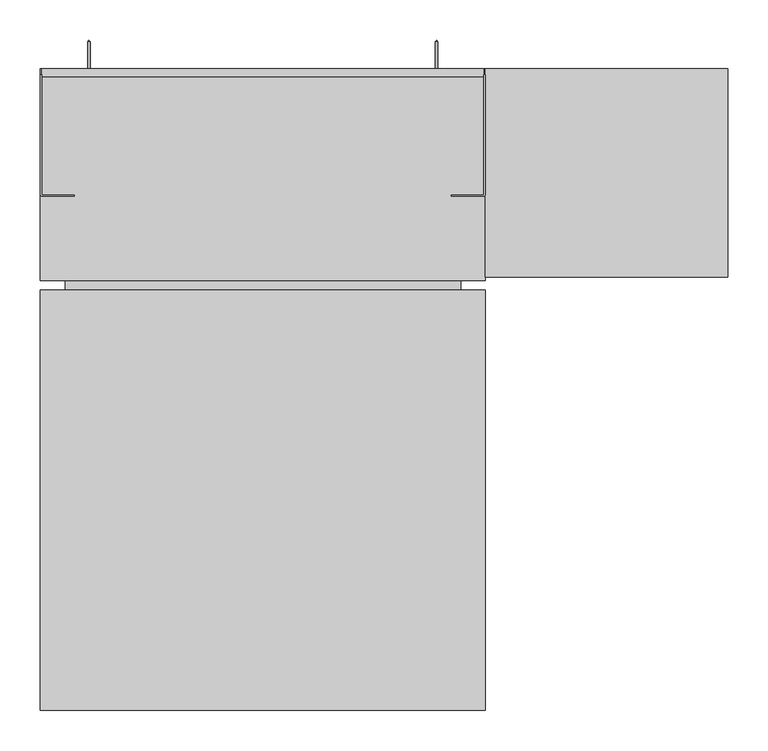
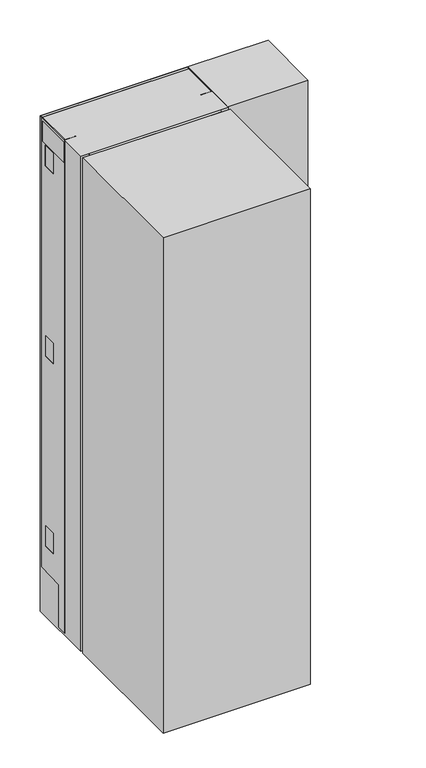
"""IFC4 building model written with IfcOpenShell, lengths in millimetres: proxy geometry."""

import ifcopenshell
import ifcopenshell.guid

model = None  # the IFC model being written
_history = None  # IfcOwnerHistory: only IFC2X3 demands one
_inside = {}  # id of a spatial element -> (the spatial element, [elements in it])
_under = {}  # id of a project, library or spatial element -> (it, [spatial elements below it])
_declared = {}  # id of a project -> (the project, [libraries it declares])
_typed = {}  # id of a type object -> (the type object, [elements of that type])
_made_of = {}  # id of a material, layer set ... -> (it, [elements and type objects made of it])


def new_model(schema):
    """Start an empty IFC model of exactly this schema.

    Asked for "IFC4X3", IfcOpenShell would pick the latest addendum, in which some entities
    have other attributes; the version numbers below select the first issue.
    IFC2X3 requires an IfcOwnerHistory on every rooted entity: one is made here for all.
    """
    global model, _history
    if schema == "IFC4X3":
        model = ifcopenshell.file(schema_version=(4, 3, 0, 0))
    else:
        model = ifcopenshell.file(schema=schema)
    _inside.clear()
    _under.clear()
    _declared.clear()
    _typed.clear()
    _made_of.clear()
    _history = None
    if model.schema == "IFC2X3":
        org = make("IfcOrganization", Name="unknown")
        user = make(
            "IfcPersonAndOrganization",
            ThePerson=make("IfcPerson", FamilyName="unknown"),
            TheOrganization=org,
        )
        app = make(
            "IfcApplication",
            ApplicationDeveloper=org,
            Version="unknown",
            ApplicationFullName="unknown",
            ApplicationIdentifier="unknown",
        )
        _history = make(
            "IfcOwnerHistory",
            OwningUser=user,
            OwningApplication=app,
            ChangeAction="ADDED",
            CreationDate=0,
        )
    return model


def make(cls, **values):
    """One entity of the class cls with the attributes given. An attribute that is None is left unset."""
    return model.create_entity(
        cls, **{name: value for name, value in values.items() if value is not None}
    )


def rooted(cls, **values):
    """An entity with a GlobalId (a new one), such as an element, a storey or a relation."""
    return make(cls, GlobalId=ifcopenshell.guid.new(), OwnerHistory=_history, **values)


def si_unit(unit_type, name, prefix=None):
    """IfcSIUnit, for example si_unit("LENGTHUNIT", "METRE", prefix="MILLI")."""
    return make("IfcSIUnit", UnitType=unit_type, Prefix=prefix, Name=name)


def assignment(units):
    """IfcUnitAssignment: the units of a project."""
    return None if units is None else make("IfcUnitAssignment", Units=units)


def point(xyz):
    """IfcCartesianPoint."""
    return None if xyz is None else make("IfcCartesianPoint", Coordinates=xyz)


def direction(xyz):
    """IfcDirection."""
    return None if xyz is None else make("IfcDirection", DirectionRatios=xyz)


def frame(location, z_axis=None, x_axis=None):
    """IfcAxis2Placement3D, a coordinate frame: its origin and axes. An axis left out is left unset."""
    return make(
        "IfcAxis2Placement3D",
        Location=point(location),
        Axis=direction(z_axis),
        RefDirection=direction(x_axis),
    )


def frame_2d(location, x_axis=None):
    """IfcAxis2Placement2D, a coordinate frame in the plane: its origin and x axis."""
    return make(
        "IfcAxis2Placement2D", Location=point(location), RefDirection=direction(x_axis)
    )


def origin():
    """The frame at (0, 0, 0) with its axes left unset."""
    return frame((0.0, 0.0, 0.0))


def origin_with_axes():
    """The frame at (0, 0, 0) with the z axis (0, 0, 1) and the x axis (1, 0, 0) written out."""
    return frame((0.0, 0.0, 0.0), z_axis=(0.0, 0.0, 1.0), x_axis=(1.0, 0.0, 0.0))


def place(relative_to, where):
    """IfcLocalPlacement: puts the frame where relative to a parent placement (None: the world)."""
    return make(
        "IfcLocalPlacement", PlacementRelTo=relative_to, RelativePlacement=where
    )


def context(
    kind, dimensions, precision=None, world=None, true_north=None, identifier=None
):
    """IfcGeometricRepresentationContext, for example the 3D "Model" context."""
    return make(
        "IfcGeometricRepresentationContext",
        ContextIdentifier=identifier,
        ContextType=kind,
        CoordinateSpaceDimension=dimensions,
        Precision=precision,
        WorldCoordinateSystem=world,
        TrueNorth=true_north,
    )


def project(units=None, contexts=None):
    """IfcProject with its units and contexts."""
    return rooted(
        "IfcProject",
        Name="project",
        RepresentationContexts=contexts,
        UnitsInContext=assignment(units),
    )


def spatial(cls, under=None, at=None, **own):
    """A site, building, storey or space (cls), placed at a placement, below another one or the project."""
    s = rooted(cls, ObjectPlacement=at, **own)
    if under is not None:
        _under.setdefault(under.id(), (under, []))[1].append(s)
    return s


def polyline(points):
    """IfcPolyline through the points."""
    return make("IfcPolyline", Points=[point(p) for p in points])


def circle_curve(where, radius):
    """IfcCircle in the frame where."""
    return make("IfcCircle", Position=where, Radius=radius)


def trimmed(basis, trim1, trim2, sense, master):
    """IfcTrimmedCurve: the piece of a basis curve between two trims."""
    return make(
        "IfcTrimmedCurve",
        BasisCurve=basis,
        Trim1=trim1,
        Trim2=trim2,
        SenseAgreement=sense,
        MasterRepresentation=master,
    )


def segment(curve, same_sense, transition):
    """IfcCompositeCurveSegment."""
    return make(
        "IfcCompositeCurveSegment",
        Transition=transition,
        SameSense=same_sense,
        ParentCurve=curve,
    )


def composite_curve(segments, self_intersect=None):
    """IfcCompositeCurve: segments joined end to end."""
    return make("IfcCompositeCurve", Segments=segments, SelfIntersect=self_intersect)


def outline(outer, holes=None, kind="AREA"):
    """IfcArbitraryClosedProfileDef: a profile drawn as a closed curve; with holes, ...WithVoids."""
    if holes is None:
        return make("IfcArbitraryClosedProfileDef", ProfileType=kind, OuterCurve=outer)
    return make(
        "IfcArbitraryProfileDefWithVoids",
        ProfileType=kind,
        OuterCurve=outer,
        InnerCurves=holes,
    )


def extrude(swept, where, along, depth):
    """IfcExtrudedAreaSolid: the profile swept, set in the frame where, extruded along a direction by depth."""
    return make(
        "IfcExtrudedAreaSolid",
        SweptArea=swept,
        Position=where,
        ExtrudedDirection=direction(along),
        Depth=depth,
    )


def faces_of(points, faces, orient=None, outer=None):
    """IfcFace entities. A face is a list of loops; a loop is a list of indices into points, from 0.

    orient and outer hold one flag for each loop. By default every Orientation is true, the
    first loop of a face is its IfcFaceOuterBound and the others are IfcFaceBound.
    """
    made = []
    for i, loops in enumerate(faces):
        bounds = []
        for j, loop in enumerate(loops):
            is_outer = j == 0 if outer is None else outer[i][j]
            bounds.append(
                make(
                    "IfcFaceOuterBound" if is_outer else "IfcFaceBound",
                    Bound=make("IfcPolyLoop", Polygon=[points[k] for k in loop]),
                    Orientation=True if orient is None else orient[i][j],
                )
            )
        made.append(make("IfcFace", Bounds=bounds))
    return made


def faceted_brep(points, faces, orient=None, outer=None, voids=None):
    """IfcFacetedBrep: a solid bounded by flat faces; with voids (closed shells), ...WithVoids."""
    shared = [point(p) for p in points]
    hull = make("IfcClosedShell", CfsFaces=faces_of(shared, faces, orient, outer))
    if voids is None:
        return make("IfcFacetedBrep", Outer=hull)
    return make(
        "IfcFacetedBrepWithVoids",
        Outer=hull,
        Voids=[
            make(cls, CfsFaces=faces_of(shared, fs, o, b)) for cls, fs, o, b in voids
        ],
    )


def shape(context_of_items, identifier, shape_type, items):
    """IfcShapeRepresentation: the items that make up one representation, for example the "Body"."""
    return make(
        "IfcShapeRepresentation",
        ContextOfItems=context_of_items,
        RepresentationIdentifier=identifier,
        RepresentationType=shape_type,
        Items=items,
    )


def source(mapping_origin, context_of_items, identifier, shape_type, items):
    """IfcRepresentationMap: a shape defined once, which mapped items show again and again."""
    return make(
        "IfcRepresentationMap",
        MappingOrigin=mapping_origin,
        MappedRepresentation=shape(context_of_items, identifier, shape_type, items),
    )


def transform(
    local_origin,
    x_axis=None,
    y_axis=None,
    z_axis=None,
    scale=None,
    scale2=None,
    scale3=None,
    uniform=True,
):
    """IfcCartesianTransformationOperator3D, or its non-uniform kind. x_axis, y_axis, z_axis: its Axis1, 2, 3."""
    if uniform:
        return make(
            "IfcCartesianTransformationOperator3D",
            Axis1=direction(x_axis),
            Axis2=direction(y_axis),
            LocalOrigin=point(local_origin),
            Scale=scale,
            Axis3=direction(z_axis),
        )
    return make(
        "IfcCartesianTransformationOperator3DnonUniform",
        Axis1=direction(x_axis),
        Axis2=direction(y_axis),
        LocalOrigin=point(local_origin),
        Scale=scale,
        Axis3=direction(z_axis),
        Scale2=scale2,
        Scale3=scale3,
    )


def mapped(mapping_source, mapping_target):
    """IfcMappedItem: shows the shape of a source again, moved by a transform."""
    return make(
        "IfcMappedItem", MappingSource=mapping_source, MappingTarget=mapping_target
    )


def made_of(thing, what):
    """Note that an element or type object is made of a material, layer set ...; save() writes the relation."""
    if what is not None:
        _made_of.setdefault(what.id(), (what, []))[1].append(thing)
    return thing


def element(
    cls,
    number,
    at=None,
    inside=None,
    cuts=None,
    type_object=None,
    material=None,
    context=None,
    identifier="Body",
    shape_type=None,
    held_by="IfcProductDefinitionShape",
    body=None,
    shapes=None,
    **own,
):
    """One element of the class cls, such as IfcWall. Its Tag is "e" and its number.

    at: its placement. inside: the storey or other place that contains it. cuts: it is an
    opening in that element (IfcRelVoidsElement). A single representation is given by context,
    identifier, shape_type and body (its items); several are given by shapes. held_by: the class
    of the entity that holds the representations. save() writes the other relations.
    """
    e = rooted(cls, Tag="e%d" % number, ObjectPlacement=at, **own)
    if body is not None:
        shapes = [shape(context, identifier, shape_type, body)]
    if shapes is not None:
        e.Representation = make(held_by, Representations=shapes)
    if inside is not None:
        _inside.setdefault(inside.id(), (inside, []))[1].append(e)
    if cuts is not None:
        rooted(
            "IfcRelVoidsElement", RelatingBuildingElement=cuts, RelatedOpeningElement=e
        )
    if type_object is not None:
        _typed.setdefault(type_object.id(), (type_object, []))[1].append(e)
    return made_of(e, material)


def aggregate(whole, parts):
    """IfcRelAggregates: a whole, such as a stair, and the parts it consists of."""
    return rooted("IfcRelAggregates", RelatingObject=whole, RelatedObjects=parts)


def save(model, path):
    """Write the relations noted so far, then the file.

    IfcRelAggregates (storeys below a building ...), IfcRelContainedInSpatialStructure (elements
    in a storey), IfcRelDefinesByType, IfcRelAssociatesMaterial and IfcRelDeclares: one each for
    every whole, place, type object, material and project.
    """
    for whole, parts in _under.values():
        aggregate(whole, parts)
    for where, things in _inside.values():
        rooted(
            "IfcRelContainedInSpatialStructure",
            RelatedElements=things,
            RelatingStructure=where,
        )
    for kind, things in _typed.values():
        rooted("IfcRelDefinesByType", RelatedObjects=things, RelatingType=kind)
    for what, things in _made_of.values():
        rooted("IfcRelAssociatesMaterial", RelatedObjects=things, RelatingMaterial=what)
    for by, libraries in _declared.values():
        rooted("IfcRelDeclares", RelatingContext=by, RelatedDefinitions=libraries)
    model.write(path)


def plane_surface(at):
    """IfcPlane: the flat surface through the origin of the frame at, square to its z axis."""
    return make("IfcPlane", Position=at)


def cylinder_surface(at, radius):
    """IfcCylindricalSurface: all points at the distance radius from the z axis of the frame at."""
    return make("IfcCylindricalSurface", Position=at, Radius=radius)


def revolved_surface(curve, axis_point, axis_direction):
    """IfcSurfaceOfRevolution: the curve turned about the line through axis_point along axis_direction."""
    return make(
        "IfcSurfaceOfRevolution",
        SweptCurve=make("IfcArbitraryOpenProfileDef", ProfileType="CURVE", Curve=curve),
        AxisPosition=make("IfcAxis1Placement", Location=point(axis_point), Axis=direction(axis_direction)),
    )


def advanced_brep(points, edges, surfaces, faces):
    """IfcAdvancedBrep: a solid bounded by faces that lie on surfaces and meet in shared edges.

    An edge is (start, end): straight between two places in points (the first is 0);
    or (start, end, curve); or (start, end, curve, False) where it runs against its curve.
    A face is (place in surfaces, loops), or (place, loops, False) where it looks against
    its surface's normal. A loop lists edges by number (the first is 1), with a minus sign
    where the edge is run from its end to its start. The first loop is the outer one.
    """
    corners = [point(p) for p in points]
    vertices = [make("IfcVertexPoint", VertexGeometry=c) for c in corners]
    made = []
    for start, end, *more in edges:
        made.append(
            make(
                "IfcEdgeCurve",
                EdgeStart=vertices[start],
                EdgeEnd=vertices[end],
                EdgeGeometry=more[0] if more else make("IfcPolyline", Points=[corners[start], corners[end]]),
                SameSense=more[1] if len(more) > 1 else True,
            )
        )
    hull = []
    for where, loops, *sense in faces:
        bounds = []
        for j, loop in enumerate(loops):
            ring = [make("IfcOrientedEdge", EdgeElement=made[abs(k) - 1], Orientation=k > 0) for k in loop]
            bounds.append(
                make(
                    "IfcFaceOuterBound" if j == 0 else "IfcFaceBound",
                    Bound=make("IfcEdgeLoop", EdgeList=ring),
                    Orientation=True,
                )
            )
        hull.append(make("IfcAdvancedFace", Bounds=bounds, FaceSurface=surfaces[where], SameSense=sense[0] if sense else True))
    return make("IfcAdvancedBrep", Outer=make("IfcClosedShell", CfsFaces=hull))


def specialty_equipment_da17f0dc(model_context):
    return source(origin(), model_context, "Body", "SolidModel", [
        advanced_brep(
        [(213.5, 567.6, 400.4999976), (216.5, 567.6, 400.4999976), (216.5, 527.6, 400.4999976), (213.5, 527.6, 400.4999976), (215.0, 569.1, 400.4999976), (210.0, 524.1, 400.4999976), (220.0, 524.1, 400.4999976), (215.0, 524.1, 400.4999976)],
        [
            (0, 1, circle_curve(frame((215.0, 567.6, 400.4999976), z_axis=(0.0, -1.0, 0.0), x_axis=(1.0, 0.0, 0.0)), 1.5)),
            (1, 2),
            (2, 3, circle_curve(frame((215.0, 527.6, 400.4999976), z_axis=(0.0, 1.0, 0.0), x_axis=(1.0, 0.0, 0.0)), 1.5)),
            (3, 0),
            (1, 0, circle_curve(frame((215.0, 567.6, 400.4999976), z_axis=(0.0, -1.0, 0.0), x_axis=(1.0, 0.0, 0.0)), 1.5)),
            (3, 2, circle_curve(frame((215.0, 527.6, 400.4999976), z_axis=(0.0, 1.0, 0.0), x_axis=(1.0, 0.0, 0.0)), 1.5)),
            (4, 1),
            (0, 4),
            (5, 6, circle_curve(frame((215.0, 524.1, 400.4999976), z_axis=(0.0, -1.0, 0.0), x_axis=(1.0, 0.0, 0.0)), 5.0)),
            (6, 7),
            (7, 5),
            (6, 5, circle_curve(frame((215.0, 524.1, 400.4999976), z_axis=(0.0, -1.0, 0.0), x_axis=(1.0, 0.0, 0.0)), 5.0)),
            (2, 6),
            (5, 3),
        ],
        [
            cylinder_surface(frame((215.0, 524.1, 400.4999976), z_axis=(0.0, 1.0, 0.0), x_axis=(1.0, 0.0, 0.0)), 1.5),
            revolved_surface(polyline([(216.5, 567.6, 400.4999976), (215.0, 569.1, 400.4999976)]), (215.0, 524.1, 400.4999976), (0.0, 1.0, 0.0)),
            plane_surface(frame((215.0, 524.1, 400.4999976), z_axis=(0.0, -1.0, 0.0), x_axis=(1.0, 0.0, 0.0))),
            revolved_surface(polyline([(220.0, 524.1, 400.4999976), (216.5, 527.6, 400.4999976)]), (215.0, 524.1, 400.4999976), (0.0, 1.0, 0.0)),
        ],
        [
            (0, [[1, 2, 3, 4]]),
            (0, [[5, -4, 6, -2]]),
            (1, [[7, -1, 8]]),
            (1, [[-8, -5, -7]]),
            (2, [[9, 10, 11]]),
            (2, [[12, -11, -10]]),
            (3, [[-3, 13, -9, 14]]),
            (3, [[-6, -14, -12, -13]]),
        ],
    ),
        advanced_brep(
        [(-216.5, 567.6, 400.4999976), (-213.5, 567.6, 400.4999976), (-213.5, 527.6, 400.4999976), (-216.5, 527.6, 400.4999976), (-215.0, 569.1, 400.4999976), (-220.0, 524.1, 400.4999976), (-210.0, 524.1, 400.4999976), (-215.0, 524.1, 400.4999976)],
        [
            (0, 1, circle_curve(frame((-215.0, 567.6, 400.4999976), z_axis=(0.0, -1.0, 0.0), x_axis=(1.0, 0.0, 0.0)), 1.5)),
            (1, 2),
            (2, 3, circle_curve(frame((-215.0, 527.6, 400.4999976), z_axis=(0.0, 1.0, 0.0), x_axis=(1.0, 0.0, 0.0)), 1.5)),
            (3, 0),
            (1, 0, circle_curve(frame((-215.0, 567.6, 400.4999976), z_axis=(0.0, -1.0, 0.0), x_axis=(1.0, 0.0, 0.0)), 1.5)),
            (3, 2, circle_curve(frame((-215.0, 527.6, 400.4999976), z_axis=(0.0, 1.0, 0.0), x_axis=(1.0, 0.0, 0.0)), 1.5)),
            (4, 1),
            (0, 4),
            (5, 6, circle_curve(frame((-215.0, 524.1, 400.4999976), z_axis=(0.0, -1.0, 0.0), x_axis=(1.0, 0.0, 0.0)), 5.0)),
            (6, 7),
            (7, 5),
            (6, 5, circle_curve(frame((-215.0, 524.1, 400.4999976), z_axis=(0.0, -1.0, 0.0), x_axis=(1.0, 0.0, 0.0)), 5.0)),
            (2, 6),
            (5, 3),
        ],
        [
            cylinder_surface(frame((-215.0, 524.1, 400.4999976), z_axis=(0.0, 1.0, 0.0), x_axis=(1.0, 0.0, 0.0)), 1.5),
            revolved_surface(polyline([(-213.5, 567.6, 400.4999976), (-215.0, 569.1, 400.4999976)]), (-215.0, 524.1, 400.4999976), (0.0, 1.0, 0.0)),
            plane_surface(frame((-215.0, 524.1, 400.4999976), z_axis=(0.0, -1.0, 0.0), x_axis=(1.0, 0.0, 0.0))),
            revolved_surface(polyline([(-210.0, 524.1, 400.4999976), (-213.5, 527.6, 400.4999976)]), (-215.0, 524.1, 400.4999976), (0.0, 1.0, 0.0)),
        ],
        [
            (0, [[1, 2, 3, 4]]),
            (0, [[5, -4, 6, -2]]),
            (1, [[7, -1, 8]]),
            (1, [[-8, -5, -7]]),
            (2, [[9, 10, 11]]),
            (2, [[12, -11, -10]]),
            (3, [[-3, 13, -9, 14]]),
            (3, [[-6, -14, -12, -13]]),
        ],
    ),
        advanced_brep(
        [(213.5, 567.6, 1800.4999976), (216.5, 567.6, 1800.4999976), (216.5, 527.6, 1800.4999976), (213.5, 527.6, 1800.4999976), (215.0, 569.1, 1800.4999976), (210.0, 524.1, 1800.4999976), (220.0, 524.1, 1800.4999976), (215.0, 524.1, 1800.4999976)],
        [
            (0, 1, circle_curve(frame((215.0, 567.6, 1800.4999976), z_axis=(0.0, -1.0, 0.0), x_axis=(1.0, 0.0, 0.0)), 1.5)),
            (1, 2),
            (2, 3, circle_curve(frame((215.0, 527.6, 1800.4999976), z_axis=(0.0, 1.0, 0.0), x_axis=(1.0, 0.0, 0.0)), 1.5)),
            (3, 0),
            (1, 0, circle_curve(frame((215.0, 567.6, 1800.4999976), z_axis=(0.0, -1.0, 0.0), x_axis=(1.0, 0.0, 0.0)), 1.5)),
            (3, 2, circle_curve(frame((215.0, 527.6, 1800.4999976), z_axis=(0.0, 1.0, 0.0), x_axis=(1.0, 0.0, 0.0)), 1.5)),
            (4, 1),
            (0, 4),
            (5, 6, circle_curve(frame((215.0, 524.1, 1800.4999976), z_axis=(0.0, -1.0, 0.0), x_axis=(1.0, 0.0, 0.0)), 5.0)),
            (6, 7),
            (7, 5),
            (6, 5, circle_curve(frame((215.0, 524.1, 1800.4999976), z_axis=(0.0, -1.0, 0.0), x_axis=(1.0, 0.0, 0.0)), 5.0)),
            (2, 6),
            (5, 3),
        ],
        [
            cylinder_surface(frame((215.0, 524.1, 1800.4999976), z_axis=(0.0, 1.0, 0.0), x_axis=(1.0, 0.0, 0.0)), 1.5),
            revolved_surface(polyline([(216.5, 567.6, 1800.4999976), (215.0, 569.1, 1800.4999976)]), (215.0, 524.1, 1800.4999976), (0.0, 1.0, 0.0)),
            plane_surface(frame((215.0, 524.1, 1800.4999976), z_axis=(0.0, -1.0, 0.0), x_axis=(1.0, 0.0, 0.0))),
            revolved_surface(polyline([(220.0, 524.1, 1800.4999976), (216.5, 527.6, 1800.4999976)]), (215.0, 524.1, 1800.4999976), (0.0, 1.0, 0.0)),
        ],
        [
            (0, [[1, 2, 3, 4]]),
            (0, [[5, -4, 6, -2]]),
            (1, [[7, -1, 8]]),
            (1, [[-8, -5, -7]]),
            (2, [[9, 10, 11]]),
            (2, [[12, -11, -10]]),
            (3, [[-3, 13, -9, 14]]),
            (3, [[-6, -14, -12, -13]]),
        ],
    ),
        advanced_brep(
        [(-216.5, 567.6, 1800.4999976), (-213.5, 567.6, 1800.4999976), (-213.5, 527.6, 1800.4999976), (-216.5, 527.6, 1800.4999976), (-215.0, 569.1, 1800.4999976), (-220.0, 524.1, 1800.4999976), (-210.0, 524.1, 1800.4999976), (-215.0, 524.1, 1800.4999976)],
        [
            (0, 1, circle_curve(frame((-215.0, 567.6, 1800.4999976), z_axis=(0.0, -1.0, 0.0), x_axis=(1.0, 0.0, 0.0)), 1.5)),
            (1, 2),
            (2, 3, circle_curve(frame((-215.0, 527.6, 1800.4999976), z_axis=(0.0, 1.0, 0.0), x_axis=(1.0, 0.0, 0.0)), 1.5)),
            (3, 0),
            (1, 0, circle_curve(frame((-215.0, 567.6, 1800.4999976), z_axis=(0.0, -1.0, 0.0), x_axis=(1.0, 0.0, 0.0)), 1.5)),
            (3, 2, circle_curve(frame((-215.0, 527.6, 1800.4999976), z_axis=(0.0, 1.0, 0.0), x_axis=(1.0, 0.0, 0.0)), 1.5)),
            (4, 1),
            (0, 4),
            (5, 6, circle_curve(frame((-215.0, 524.1, 1800.4999976), z_axis=(0.0, -1.0, 0.0), x_axis=(1.0, 0.0, 0.0)), 5.0)),
            (6, 7),
            (7, 5),
            (6, 5, circle_curve(frame((-215.0, 524.1, 1800.4999976), z_axis=(0.0, -1.0, 0.0), x_axis=(1.0, 0.0, 0.0)), 5.0)),
            (2, 6),
            (5, 3),
        ],
        [
            cylinder_surface(frame((-215.0, 524.1, 1800.4999976), z_axis=(0.0, 1.0, 0.0), x_axis=(1.0, 0.0, 0.0)), 1.5),
            revolved_surface(polyline([(-213.5, 567.6, 1800.4999976), (-215.0, 569.1, 1800.4999976)]), (-215.0, 524.1, 1800.4999976), (0.0, 1.0, 0.0)),
            plane_surface(frame((-215.0, 524.1, 1800.4999976), z_axis=(0.0, -1.0, 0.0), x_axis=(1.0, 0.0, 0.0))),
            revolved_surface(polyline([(-210.0, 524.1, 1800.4999976), (-213.5, 527.6, 1800.4999976)]), (-215.0, 524.1, 1800.4999976), (0.0, 1.0, 0.0)),
        ],
        [
            (0, [[1, 2, 3, 4]]),
            (0, [[5, -4, 6, -2]]),
            (1, [[7, -1, 8]]),
            (1, [[-8, -5, -7]]),
            (2, [[9, 10, 11]]),
            (2, [[12, -11, -10]]),
            (3, [[-3, 13, -9, 14]]),
            (3, [[-6, -14, -12, -13]]),
        ],
    ),
        faceted_brep([(-208.5, 504.1, 1576.8855882), (-208.5, 504.1, 1524.8505872), (-200.5, 504.1, 1524.8505872), (-200.5, 504.1, 1576.8855882), (-98.5, 504.1, 1524.8505872), (-98.5, 504.1, 1576.8855882), (-108.5, 504.1, 1576.8855882), (-108.5, 504.1, 1524.8505872), (-140.5, 504.1, 1576.8855882), (-140.5, 504.1, 1524.8505872), (-132.5, 504.1, 1524.8505872), (-132.5, 504.1, 1576.8855882), (-98.5, 519.1, 1576.8855882), (-98.5, 519.1, 1524.8505872), (-108.5, 519.1, 1524.8505872), (-108.5, 519.1, 1522.0000523), (-132.5, 519.1, 1522.0000523), (-132.5, 519.1, 1524.8505872), (-140.5, 519.1, 1524.8505872), (-140.5, 519.1, 1522.899992), (-200.5, 519.1, 1522.899992), (-200.5, 519.1, 1524.8505872), (-208.5, 519.1, 1524.8505872), (-208.5, 519.1, 1576.8855882), (-200.5, 519.1, 1576.8855882), (-200.5, 519.1, 1580.4000062), (-140.5, 519.1, 1580.4000062), (-140.5, 519.1, 1576.8855882), (-132.5, 484.1, 1576.8855882), (-108.5, 484.1, 1576.8855882), (-140.5, 484.1, 1580.4000062), (-200.5, 484.1, 1580.4000062), (-200.5, 484.1, 1522.899992), (-140.5, 484.1, 1522.899992), (-132.5, 484.1, 1522.0000523), (-108.5, 484.1, 1522.0000523)], [[[0, 1, 2, 3]], [[4, 5, 6, 7]], [[8, 9, 10, 11]], [[12, 13, 14, 15, 16, 17, 18, 19, 20, 21, 22, 23, 24, 25, 26, 27]], [[5, 12, 27, 8, 11, 28, 29, 6]], [[23, 0, 3, 24]], [[1, 0, 23, 22]], [[1, 22, 21, 2]], [[9, 18, 17, 10]], [[13, 4, 7, 14]], [[5, 4, 13, 12]], [[30, 31, 32, 33]], [[31, 30, 26, 25]], [[32, 31, 25, 24, 3, 2, 21, 20]], [[33, 32, 20, 19]], [[30, 33, 19, 18, 9, 8, 27, 26]], [[29, 28, 34, 35]], [[34, 28, 11, 10, 17, 16]], [[35, 34, 16, 15]], [[29, 35, 15, 14, 7, 6]]]),
        extrude(outline(polyline([(-61.5, 519.1), (-238.5, 519.1), (-238.5, 524.1), (-61.5, 524.1), (-61.5, 519.1)])), frame((0.0, 0.0, 1529.0), z_axis=(0.0, 0.0, 1.0), x_axis=(1.0, 0.0, 0.0)), (0.0, 0.0, 1.0), 35.0),
        extrude(outline(polyline([(273.25, 377.6), (-273.25, 377.6), (-273.25, 529.1), (273.25, 529.1), (273.25, 377.6)])), frame((0.0, 0.0, 1947.2), z_axis=(0.0, 0.0, 1.0), x_axis=(1.0, 0.0, 0.0)), (0.0, 0.0, 1.0), 4.8),
        advanced_brep(
        [(275.0, 416.35, 176.3), (275.0, 526.35, 180.3646651), (275.0, 526.35, 1955.3), (275.0, 378.1, 1955.3), (275.0, 378.1, 8.25), (275.0, 416.35, 8.25), (275.0, 450.7, 357.8), (275.0, 499.6, 357.8), (275.0, 499.6, 277.6), (275.0, 450.7, 277.6), (275.0, 499.6, 1027.6), (275.0, 450.7, 1027.6), (275.0, 450.7, 1107.8), (275.0, 499.6, 1107.8), (275.0, 501.1, 1777.6), (275.0, 450.7, 1777.6), (275.0, 450.7, 1857.8), (275.0, 501.1, 1857.8), (275.0, 383.1, 1941.55), (275.0, 519.6, 1941.55), (275.0, 519.6, 1862.55), (275.0, 383.1, 1862.55), (273.25, 416.35, 176.3), (273.25, 416.35, 8.25), (273.25, 378.1, 8.25), (273.25, 378.1, 1955.3), (273.25, 526.35, 1955.3), (273.25, 526.35, 180.3646651), (273.25, 450.7, 357.8), (273.25, 450.7, 277.6), (273.25, 499.6, 277.6), (273.25, 499.6, 357.8), (273.25, 499.6, 1027.6), (273.25, 499.6, 1107.8), (273.25, 450.7, 1107.8), (273.25, 450.7, 1027.6), (273.25, 501.1, 1777.6), (273.25, 501.1, 1857.8), (273.25, 450.7, 1857.8), (273.25, 450.7, 1777.6), (273.25, 383.1, 1941.55), (273.25, 383.1, 1862.55), (273.25, 519.6, 1862.55), (273.25, 519.6, 1941.55), (273.8139807, 378.1, 1955.3), (273.8139807, 377.6, 1955.3), (233.05, 377.6, 1955.3), (233.05, 376.35, 1955.3), (273.25, 376.35, 1955.3), (273.8139807, 378.1, 8.25), (273.25, 376.35, 8.25), (233.05, 376.35, 8.25), (233.05, 377.6, 8.25), (273.8139807, 377.6, 8.25)],
        [
            (0, 1),
            (1, 2),
            (2, 3),
            (3, 4),
            (4, 5),
            (5, 0),
            (6, 7),
            (7, 8),
            (8, 9),
            (9, 6),
            (10, 11),
            (11, 12),
            (12, 13),
            (13, 10),
            (14, 15),
            (15, 16),
            (16, 17),
            (17, 14),
            (18, 19),
            (19, 20),
            (20, 21),
            (21, 18),
            (22, 23),
            (23, 24),
            (24, 25),
            (25, 26),
            (26, 27),
            (27, 22),
            (28, 29),
            (29, 30),
            (30, 31),
            (31, 28),
            (32, 33),
            (33, 34),
            (34, 35),
            (35, 32),
            (36, 37),
            (37, 38),
            (38, 39),
            (39, 36),
            (40, 41),
            (41, 42),
            (42, 43),
            (43, 40),
            (0, 22),
            (27, 1),
            (26, 2),
            (25, 44),
            (44, 45),
            (45, 46),
            (46, 47),
            (47, 48),
            (48, 3, circle_curve(frame((273.25, 378.1, 1955.3), z_axis=(0.0, 0.0, 1.0), x_axis=(-1.0, 0.0, 0.0)), 1.75)),
            (24, 49),
            (49, 44),
            (23, 5),
            (4, 50, circle_curve(frame((273.25, 378.1, 8.25), z_axis=(0.0, 0.0, -1.0), x_axis=(-1.0, 0.0, 0.0)), 1.75)),
            (50, 51),
            (51, 52),
            (52, 53),
            (53, 49),
            (6, 28),
            (31, 7),
            (30, 8),
            (29, 9),
            (10, 32),
            (35, 11),
            (34, 12),
            (33, 13),
            (14, 36),
            (39, 15),
            (38, 16),
            (37, 17),
            (18, 40),
            (43, 19),
            (42, 20),
            (41, 21),
            (47, 51),
            (50, 48),
            (53, 45),
            (52, 46),
        ],
        [
            plane_surface(frame((275.0, 524.6, 180.3), z_axis=(1.0, 0.0, 0.0), x_axis=(0.0, 0.9993179916193466, 0.03692629992126892))),
            plane_surface(frame((273.25, 524.6, 180.3), z_axis=(-1.0, 0.0, 0.0), x_axis=(0.0, -0.9993179916193466, -0.03692629992126892))),
            plane_surface(frame((275.0, 416.35, 176.3), z_axis=(0.0, 0.03692629992126892, -0.9993179916193466), x_axis=(-1.0, 0.0, 0.0))),
            plane_surface(frame((275.0, 526.35, 180.3646651), z_axis=(0.0, 1.0, 0.0), x_axis=(-1.0, 0.0, 0.0))),
            plane_surface(frame((275.0, 526.35, 1955.3), z_axis=(0.0, 0.0, 1.0), x_axis=(-1.0, 0.0, 0.0))),
            plane_surface(frame((275.0, 378.1, 1955.3), z_axis=(0.0, -1.0, 0.0), x_axis=(-1.0, 0.0, 0.0))),
            plane_surface(frame((275.0, 378.1, 8.25), z_axis=(0.0, 0.0, -1.0), x_axis=(-1.0, 0.0, 0.0))),
            plane_surface(frame((275.0, 416.35, 8.25), z_axis=(0.0, 1.0, 0.0), x_axis=(-1.0, 0.0, 0.0))),
            plane_surface(frame((275.0, 450.7, 357.8), z_axis=(0.0, 0.0, -1.0), x_axis=(-1.0, 0.0, 0.0))),
            plane_surface(frame((275.0, 499.6, 357.8), z_axis=(0.0, -1.0, 0.0), x_axis=(-1.0, 0.0, 0.0))),
            plane_surface(frame((275.0, 499.6, 277.6), z_axis=(0.0, 0.0, 1.0), x_axis=(-1.0, 0.0, 0.0))),
            plane_surface(frame((275.0, 450.7, 277.6), z_axis=(0.0, 1.0, 0.0), x_axis=(-1.0, 0.0, 0.0))),
            plane_surface(frame((275.0, 499.6, 1027.6), z_axis=(0.0, 0.0, 1.0), x_axis=(-1.0, 0.0, 0.0))),
            plane_surface(frame((275.0, 450.7, 1027.6), z_axis=(0.0, 1.0, 0.0), x_axis=(-1.0, 0.0, 0.0))),
            plane_surface(frame((275.0, 450.7, 1107.8), z_axis=(0.0, 0.0, -1.0), x_axis=(-1.0, 0.0, 0.0))),
            plane_surface(frame((275.0, 499.6, 1107.8), z_axis=(0.0, -1.0, 0.0), x_axis=(-1.0, 0.0, 0.0))),
            plane_surface(frame((275.0, 501.1, 1777.6), z_axis=(0.0, 0.0, 1.0), x_axis=(-1.0, 0.0, 0.0))),
            plane_surface(frame((275.0, 450.7, 1777.6), z_axis=(0.0, 1.0, 0.0), x_axis=(-1.0, 0.0, 0.0))),
            plane_surface(frame((275.0, 450.7, 1857.8), z_axis=(0.0, 0.0, -1.0), x_axis=(-1.0, 0.0, 0.0))),
            plane_surface(frame((275.0, 501.1, 1857.8), z_axis=(0.0, -1.0, 0.0), x_axis=(-1.0, 0.0, 0.0))),
            plane_surface(frame((275.0, 383.1, 1941.55), z_axis=(0.0, 0.0, -1.0), x_axis=(-1.0, 0.0, 0.0))),
            plane_surface(frame((275.0, 519.6, 1941.55), z_axis=(0.0, -1.0, 0.0), x_axis=(-1.0, 0.0, 0.0))),
            plane_surface(frame((275.0, 519.6, 1862.55), z_axis=(0.0, 0.0, 1.0), x_axis=(-1.0, 0.0, 0.0))),
            plane_surface(frame((275.0, 383.1, 1862.55), z_axis=(0.0, 1.0, 0.0), x_axis=(-1.0, 0.0, 0.0))),
            plane_surface(frame((233.05, 376.35, 1955.3), z_axis=(0.0, -1.0, 0.0), x_axis=(0.0, 0.0, -1.0))),
            cylinder_surface(frame((273.25, 378.1, 0.0), z_axis=(0.0, 0.0, 1.0), x_axis=(-1.0, 0.0, 0.0)), 1.75),
            plane_surface(frame((273.8139807, 379.7566308, 1955.3), z_axis=(-1.0, 0.0, 0.0), x_axis=(0.0, 0.0, -1.0))),
            plane_surface(frame((273.8139807, 377.6, 1955.3), z_axis=(0.0, 1.0, 0.0), x_axis=(0.0, 0.0, -1.0))),
            plane_surface(frame((233.05, 377.6, 1955.3), z_axis=(-1.0, 0.0, 0.0), x_axis=(0.0, 0.0, -1.0))),
        ],
        [
            (0, [[1, 2, 3, 4, 5, 6], [7, 8, 9, 10], [11, 12, 13, 14], [15, 16, 17, 18], [19, 20, 21, 22]]),
            (1, [[23, 24, 25, 26, 27, 28], [29, 30, 31, 32], [33, 34, 35, 36], [37, 38, 39, 40], [41, 42, 43, 44]]),
            (2, [[-1, 45, -28, 46]]),
            (3, [[-2, -46, -27, 47]]),
            (4, [[-26, 48, 49, 50, 51, 52, 53, -3, -47]]),
            (5, [[-25, 54, 55, -48]]),
            (6, [[-24, 56, -5, 57, 58, 59, 60, 61, -54]]),
            (7, [[-6, -56, -23, -45]]),
            (8, [[-7, 62, -32, 63]]),
            (9, [[-8, -63, -31, 64]]),
            (10, [[-9, -64, -30, 65]]),
            (11, [[-10, -65, -29, -62]]),
            (12, [[-11, 66, -36, 67]]),
            (13, [[-12, -67, -35, 68]]),
            (14, [[-13, -68, -34, 69]]),
            (15, [[-14, -69, -33, -66]]),
            (16, [[-15, 70, -40, 71]]),
            (17, [[-16, -71, -39, 72]]),
            (18, [[-17, -72, -38, 73]]),
            (19, [[-18, -73, -37, -70]]),
            (20, [[-19, 74, -44, 75]]),
            (21, [[-20, -75, -43, 76]]),
            (22, [[-21, -76, -42, 77]]),
            (23, [[-22, -77, -41, -74]]),
            (24, [[-52, 78, -58, 79]]),
            (25, [[-53, -79, -57, -4]]),
            (26, [[80, -49, -55, -61]]),
            (27, [[-50, -80, -60, 81]]),
            (28, [[-51, -81, -59, -78]]),
        ],
    ),
        advanced_brep(
        [(-233.05, 376.35, 1955.3), (-233.05, 377.6, 1955.3), (-273.8139807, 377.6, 1955.3), (-273.8139807, 378.1, 1955.3), (-273.25, 378.1, 1955.3), (-273.25, 526.35, 1955.3), (-275.0, 526.35, 1955.3), (-275.0, 378.1, 1955.3), (-273.25, 376.35, 1955.3), (-233.05, 376.35, 8.25), (-273.25, 376.35, 8.25), (-275.0, 378.1, 8.25), (-275.0, 416.35, 8.25), (-273.25, 416.35, 8.25), (-273.25, 378.1, 8.25), (-273.8139807, 378.1, 8.25), (-273.8139807, 377.6, 8.25), (-233.05, 377.6, 8.25), (-275.0, 526.35, 180.3646651), (-275.0, 416.35, 176.3), (-275.0, 450.7, 357.8), (-275.0, 450.7, 277.6), (-275.0, 499.6, 277.6), (-275.0, 499.6, 357.8), (-275.0, 499.6, 1027.6), (-275.0, 499.6, 1107.8), (-275.0, 450.7, 1107.8), (-275.0, 450.7, 1027.6), (-275.0, 501.1, 1777.6), (-275.0, 501.1, 1857.8), (-275.0, 450.7, 1857.8), (-275.0, 450.7, 1777.6), (-275.0, 383.1, 1941.55), (-275.0, 383.1, 1862.55), (-275.0, 519.6, 1862.55), (-275.0, 519.6, 1941.55), (-273.25, 416.35, 176.3), (-273.25, 526.35, 180.3646651), (-273.25, 450.7, 357.8), (-273.25, 499.6, 357.8), (-273.25, 499.6, 277.6), (-273.25, 450.7, 277.6), (-273.25, 499.6, 1027.6), (-273.25, 450.7, 1027.6), (-273.25, 450.7, 1107.8), (-273.25, 499.6, 1107.8), (-273.25, 501.1, 1777.6), (-273.25, 450.7, 1777.6), (-273.25, 450.7, 1857.8), (-273.25, 501.1, 1857.8), (-273.25, 383.1, 1941.55), (-273.25, 519.6, 1941.55), (-273.25, 519.6, 1862.55), (-273.25, 383.1, 1862.55)],
        [
            (0, 1),
            (1, 2),
            (2, 3),
            (3, 4),
            (4, 5),
            (5, 6),
            (6, 7),
            (7, 8, circle_curve(frame((-273.25, 378.1, 1955.3), z_axis=(0.0, 0.0, 1.0), x_axis=(1.0, 0.0, 0.0)), 1.75)),
            (8, 0),
            (9, 10),
            (10, 11, circle_curve(frame((-273.25, 378.1, 8.25), z_axis=(0.0, 0.0, -1.0), x_axis=(1.0, 0.0, 0.0)), 1.75)),
            (11, 12),
            (12, 13),
            (13, 14),
            (14, 15),
            (15, 16),
            (16, 17),
            (17, 9),
            (0, 9),
            (17, 1),
            (16, 2),
            (15, 3),
            (6, 18),
            (18, 19),
            (19, 12),
            (11, 7),
            (20, 21),
            (21, 22),
            (22, 23),
            (23, 20),
            (24, 25),
            (25, 26),
            (26, 27),
            (27, 24),
            (28, 29),
            (29, 30),
            (30, 31),
            (31, 28),
            (32, 33),
            (33, 34),
            (34, 35),
            (35, 32),
            (10, 8),
            (36, 37),
            (37, 5),
            (4, 14),
            (13, 36),
            (38, 39),
            (39, 40),
            (40, 41),
            (41, 38),
            (42, 43),
            (43, 44),
            (44, 45),
            (45, 42),
            (46, 47),
            (47, 48),
            (48, 49),
            (49, 46),
            (50, 51),
            (51, 52),
            (52, 53),
            (53, 50),
            (18, 37),
            (36, 19),
            (23, 39),
            (38, 20),
            (22, 40),
            (21, 41),
            (27, 43),
            (42, 24),
            (26, 44),
            (25, 45),
            (31, 47),
            (46, 28),
            (30, 48),
            (29, 49),
            (35, 51),
            (50, 32),
            (34, 52),
            (33, 53),
        ],
        [
            plane_surface(frame((275.0, 526.35, 1955.3), z_axis=(0.0, 0.0, 1.0), x_axis=(-1.0, 0.0, 0.0))),
            plane_surface(frame((275.0, 378.1, 8.25), z_axis=(0.0, 0.0, -1.0), x_axis=(-1.0, 0.0, 0.0))),
            plane_surface(frame((-233.05, 376.35, 1955.3), z_axis=(1.0, 0.0, 0.0), x_axis=(0.0, 0.0, -1.0))),
            plane_surface(frame((-233.05, 377.6, 1955.3), z_axis=(0.0, 1.0, 0.0), x_axis=(0.0, 0.0, -1.0))),
            plane_surface(frame((-273.8139807, 377.6, 1955.3), z_axis=(1.0, 0.0, 0.0), x_axis=(0.0, 0.0, -1.0))),
            plane_surface(frame((-275.0, 379.7566308, 1955.3), z_axis=(-1.0, -2.5941982806943435e-12, 0.0), x_axis=(0.0, 0.0, -1.0))),
            cylinder_surface(frame((-273.25, 378.1, 8.25), z_axis=(0.0, 0.0, 1.0), x_axis=(1.0, 0.0, 0.0)), 1.75),
            plane_surface(frame((-273.25, 376.35, 1955.3), z_axis=(0.0, -1.0, 0.0), x_axis=(0.0, 0.0, -1.0))),
            plane_surface(frame((-273.25, 416.35, 176.3), z_axis=(1.0, 0.0, 0.0), x_axis=(0.0, 0.0, 1.0))),
            plane_surface(frame((-275.0, 526.35, 180.3646651), z_axis=(0.0, 0.03692629992126892, -0.9993179916193466), x_axis=(1.0, 0.0, 0.0))),
            plane_surface(frame((-275.0, 526.35, 1955.3), z_axis=(0.0, 1.0, 0.0), x_axis=(1.0, 0.0, 0.0))),
            plane_surface(frame((-275.0, 378.1, 8.25), z_axis=(0.0, -1.0, 0.0), x_axis=(1.0, 0.0, 0.0))),
            plane_surface(frame((-275.0, 416.35, 176.3), z_axis=(0.0, 1.0, 0.0), x_axis=(1.0, 0.0, 0.0))),
            plane_surface(frame((-275.0, 499.6, 357.8), z_axis=(0.0, 0.0, -1.0), x_axis=(1.0, 0.0, 0.0))),
            plane_surface(frame((-275.0, 499.6, 277.6), z_axis=(0.0, -1.0, 0.0), x_axis=(1.0, 0.0, 0.0))),
            plane_surface(frame((-275.0, 450.7, 277.6), z_axis=(0.0, 0.0, 1.0), x_axis=(1.0, 0.0, 0.0))),
            plane_surface(frame((-275.0, 450.7, 357.8), z_axis=(0.0, 1.0, 0.0), x_axis=(1.0, 0.0, 0.0))),
            plane_surface(frame((-275.0, 450.7, 1027.6), z_axis=(0.0, 0.0, 1.0), x_axis=(1.0, 0.0, 0.0))),
            plane_surface(frame((-275.0, 450.7, 1107.8), z_axis=(0.0, 1.0, 0.0), x_axis=(1.0, 0.0, 0.0))),
            plane_surface(frame((-275.0, 499.6, 1107.8), z_axis=(0.0, 0.0, -1.0), x_axis=(1.0, 0.0, 0.0))),
            plane_surface(frame((-275.0, 499.6, 1027.6), z_axis=(0.0, -1.0, 0.0), x_axis=(1.0, 0.0, 0.0))),
            plane_surface(frame((-275.0, 450.7, 1777.6), z_axis=(0.0, 0.0, 1.0), x_axis=(1.0, 0.0, 0.0))),
            plane_surface(frame((-275.0, 450.7, 1857.8), z_axis=(0.0, 1.0, 0.0), x_axis=(1.0, 0.0, 0.0))),
            plane_surface(frame((-275.0, 501.1, 1857.8), z_axis=(0.0, 0.0, -1.0), x_axis=(1.0, 0.0, 0.0))),
            plane_surface(frame((-275.0, 501.1, 1777.6), z_axis=(0.0, -1.0, 0.0), x_axis=(1.0, 0.0, 0.0))),
            plane_surface(frame((-275.0, 519.6, 1941.55), z_axis=(0.0, 0.0, -1.0), x_axis=(1.0, 0.0, 0.0))),
            plane_surface(frame((-275.0, 519.6, 1862.55), z_axis=(0.0, -1.0, 0.0), x_axis=(1.0, 0.0, 0.0))),
            plane_surface(frame((-275.0, 383.1, 1862.55), z_axis=(0.0, 0.0, 1.0), x_axis=(1.0, 0.0, 0.0))),
            plane_surface(frame((-275.0, 383.1, 1941.55), z_axis=(0.0, 1.0, 0.0), x_axis=(1.0, 0.0, 0.0))),
        ],
        [
            (0, [[1, 2, 3, 4, 5, 6, 7, 8, 9]]),
            (1, [[10, 11, 12, 13, 14, 15, 16, 17, 18]]),
            (2, [[-1, 19, -18, 20]]),
            (3, [[-2, -20, -17, 21]]),
            (4, [[-21, -16, 22, -3]]),
            (5, [[-7, 23, 24, 25, -12, 26], [27, 28, 29, 30], [31, 32, 33, 34], [35, 36, 37, 38], [39, 40, 41, 42]]),
            (6, [[-8, -26, -11, 43]]),
            (7, [[-9, -43, -10, -19]]),
            (8, [[44, 45, -5, 46, -14, 47], [48, 49, 50, 51], [52, 53, 54, 55], [56, 57, 58, 59], [60, 61, 62, 63]]),
            (9, [[-24, 64, -44, 65]]),
            (10, [[-23, -6, -45, -64]]),
            (11, [[-46, -4, -22, -15]]),
            (12, [[-25, -65, -47, -13]]),
            (13, [[-30, 66, -48, 67]]),
            (14, [[-29, 68, -49, -66]]),
            (15, [[-28, 69, -50, -68]]),
            (16, [[-27, -67, -51, -69]]),
            (17, [[-34, 70, -52, 71]]),
            (18, [[-33, 72, -53, -70]]),
            (19, [[-32, 73, -54, -72]]),
            (20, [[-31, -71, -55, -73]]),
            (21, [[-38, 74, -56, 75]]),
            (22, [[-37, 76, -57, -74]]),
            (23, [[-36, 77, -58, -76]]),
            (24, [[-35, -75, -59, -77]]),
            (25, [[-42, 78, -60, 79]]),
            (26, [[-41, 80, -61, -78]]),
            (27, [[-40, 81, -62, -80]]),
            (28, [[-39, -79, -63, -81]]),
        ],
    ),
        extrude(outline(composite_curve([segment(polyline([(-244.55, 376.35), (-243.3, 376.35), (-243.3, 365.6)]), True, "CONTINUOUS"), segment(trimmed(circle_curve(frame_2d((-244.65, 365.6)), 1.35), [point((-243.3, 365.6))], [point((-246.0, 365.6))], False, "CARTESIAN"), True, "CONTINUOUS"), segment(polyline([(-246.0, 365.6), (-246.0, 370.25), (-244.55, 370.25), (-244.55, 376.35)]), True, "CONTINUOUS")], self_intersect=False)), frame((0.0, 0.0, 127.5), z_axis=(0.0, 0.0, 1.0), x_axis=(1.0, 0.0, 0.0)), (0.0, 0.0, 1.0), 1757.35),
        extrude(outline(composite_curve([segment(polyline([(244.55, 376.35), (244.55, 370.25), (246.0, 370.25), (246.0, 365.6)]), True, "CONTINUOUS"), segment(trimmed(circle_curve(frame_2d((244.65, 365.6)), 1.35), [point((246.0, 365.6))], [point((243.3, 365.6))], False, "CARTESIAN"), True, "CONTINUOUS"), segment(polyline([(243.3, 365.6), (243.3, 376.35), (244.55, 376.35)]), True, "CONTINUOUS")], self_intersect=False)), frame((0.0, 0.0, 127.5), z_axis=(0.0, 0.0, 1.0), x_axis=(1.0, 0.0, 0.0)), (0.0, 0.0, 1.0), 1757.35),
        extrude(outline(polyline([(1954.9999976, 273.25), (1954.9999976, -273.25), (180.2999976, -273.25), (180.2999976, 273.25), (1954.9999976, 273.25)]), holes=[composite_curve([segment(polyline([(1763.4999976, -176.35), (1909.7499976, -176.35), (1909.7499976, 176.35), (1763.4999976, 176.35)]), True, "CONTINUOUS"), segment(trimmed(circle_curve(frame_2d((1763.4999976, 126.35)), 50.0), [point((1763.4999976, 176.35))], [point((1713.4999976, 126.35))], True, "CARTESIAN"), True, "CONTINUOUS"), segment(polyline([(1713.4999976, 126.35), (1713.4999976, 95.0)]), True, "CONTINUOUS"), segment(trimmed(circle_curve(frame_2d((1763.4999976, 95.0)), 50.0), [point((1713.4999976, 95.0))], [point((1763.4999976, 45.0))], True, "CARTESIAN"), True, "CONTINUOUS"), segment(polyline([(1763.4999976, 45.0), (1838.4999976, 45.0)]), True, "CONTINUOUS"), segment(trimmed(circle_curve(frame_2d((1838.4999976, 0.0)), 45.0), [point((1838.4999976, 45.0))], [point((1838.4999976, -45.0))], False, "CARTESIAN"), True, "CONTINUOUS"), segment(polyline([(1838.4999976, -45.0), (1763.4999976, -45.0)]), True, "CONTINUOUS"), segment(trimmed(circle_curve(frame_2d((1763.4999976, -95.0)), 50.0), [point((1763.4999976, -45.0))], [point((1713.4999976, -95.0))], True, "CARTESIAN"), True, "CONTINUOUS"), segment(polyline([(1713.4999976, -95.0), (1713.4999976, -126.35)]), True, "CONTINUOUS"), segment(trimmed(circle_curve(frame_2d((1763.4999976, -126.35)), 50.0), [point((1713.4999976, -126.35))], [point((1763.4999976, -176.35))], True, "CARTESIAN"), True, "CONTINUOUS")], self_intersect=False), composite_curve([segment(trimmed(circle_curve(frame_2d((400.4999976, -215.0)), 7.0), [point((400.4999976, -208.0))], [point((400.4999976, -222.0))], True, "CARTESIAN"), True, "CONTINUOUS"), segment(trimmed(circle_curve(frame_2d((400.4999976, -215.0)), 7.0), [point((400.4999976, -222.0))], [point((400.4999976, -208.0))], True, "CARTESIAN"), True, "CONTINUOUS")], self_intersect=False), composite_curve([segment(trimmed(circle_curve(frame_2d((400.4999976, 215.0)), 7.0), [point((400.4999976, 222.0))], [point((400.4999976, 208.0))], True, "CARTESIAN"), True, "CONTINUOUS"), segment(trimmed(circle_curve(frame_2d((400.4999976, 215.0)), 7.0), [point((400.4999976, 208.0))], [point((400.4999976, 222.0))], True, "CARTESIAN"), True, "CONTINUOUS")], self_intersect=False), composite_curve([segment(trimmed(circle_curve(frame_2d((1800.4999976, -215.0)), 7.0), [point((1800.4999976, -208.0))], [point((1800.4999976, -222.0))], True, "CARTESIAN"), True, "CONTINUOUS"), segment(trimmed(circle_curve(frame_2d((1800.4999976, -215.0)), 7.0), [point((1800.4999976, -222.0))], [point((1800.4999976, -208.0))], True, "CARTESIAN"), True, "CONTINUOUS")], self_intersect=False), composite_curve([segment(trimmed(circle_curve(frame_2d((1800.4999976, 215.0)), 7.0), [point((1800.4999976, 222.0))], [point((1800.4999976, 208.0))], True, "CARTESIAN"), True, "CONTINUOUS"), segment(trimmed(circle_curve(frame_2d((1800.4999976, 215.0)), 7.0), [point((1800.4999976, 208.0))], [point((1800.4999976, 222.0))], True, "CARTESIAN"), True, "CONTINUOUS")], self_intersect=False)]), frame((0.0, 524.1, 0.0), z_axis=(0.0, 1.0, 0.0), x_axis=(0.0, 0.0, 1.0)), (0.0, 0.0, 1.0), 10.0),
        extrude(outline(polyline([(275.0, 276.1), (275.0, 534.1), (575.0, 534.1), (575.0, 276.1), (275.0, 276.1)])), frame((0.0, 0.0, 180.0), z_axis=(0.0, 0.0, 1.0), x_axis=(1.0, 0.0, 0.0)), (0.0, 0.0, 1.0), 1775.0),
        extrude(outline(polyline([(275.0, 260.0), (275.0, -260.0), (-275.0, -260.0), (-275.0, 260.0), (275.0, 260.0)])), origin_with_axes(), (0.0, 0.0, 1.0), 1955.0),
        extrude(outline(polyline([(275.0, 534.1), (275.0, 272.1), (-275.0, 272.1), (-275.0, 534.1), (275.0, 534.1)])), origin_with_axes(), (0.0, 0.0, 1.0), 1955.0),
        extrude(outline(polyline([(244.7755311, 260.0), (-244.5481133, 260.0), (-244.5481133, 272.1), (244.7755311, 272.1), (244.7755311, 260.0)])), origin_with_axes(), (0.0, 0.0, 1.0), 1955.0),
    ])


if __name__ == "__main__":
    model = new_model("IFC4")
    model_context = context("Model", 3, world=origin())
    ifc_project = project(units=[si_unit("LENGTHUNIT", "METRE", prefix="MILLI")], contexts=[model_context])
    site = spatial("IfcSite", under=ifc_project)
    building = spatial("IfcBuilding", under=site)
    placement = place(None, origin())
    specialty_equipment_shape = specialty_equipment_da17f0dc(model_context)
    element("IfcBuildingElementProxy", 1, Name="Specialty Equipment", at=placement, inside=building, context=model_context, shape_type="MappedRepresentation", body=[
        mapped(specialty_equipment_shape, transform((0.0, 0.0, 0.0), x_axis=(1.0, 0.0, 0.0), y_axis=(0.0, 1.0, 0.0), z_axis=(0.0, 0.0, 1.0))),
    ])
    save(model, "model.ifc")
